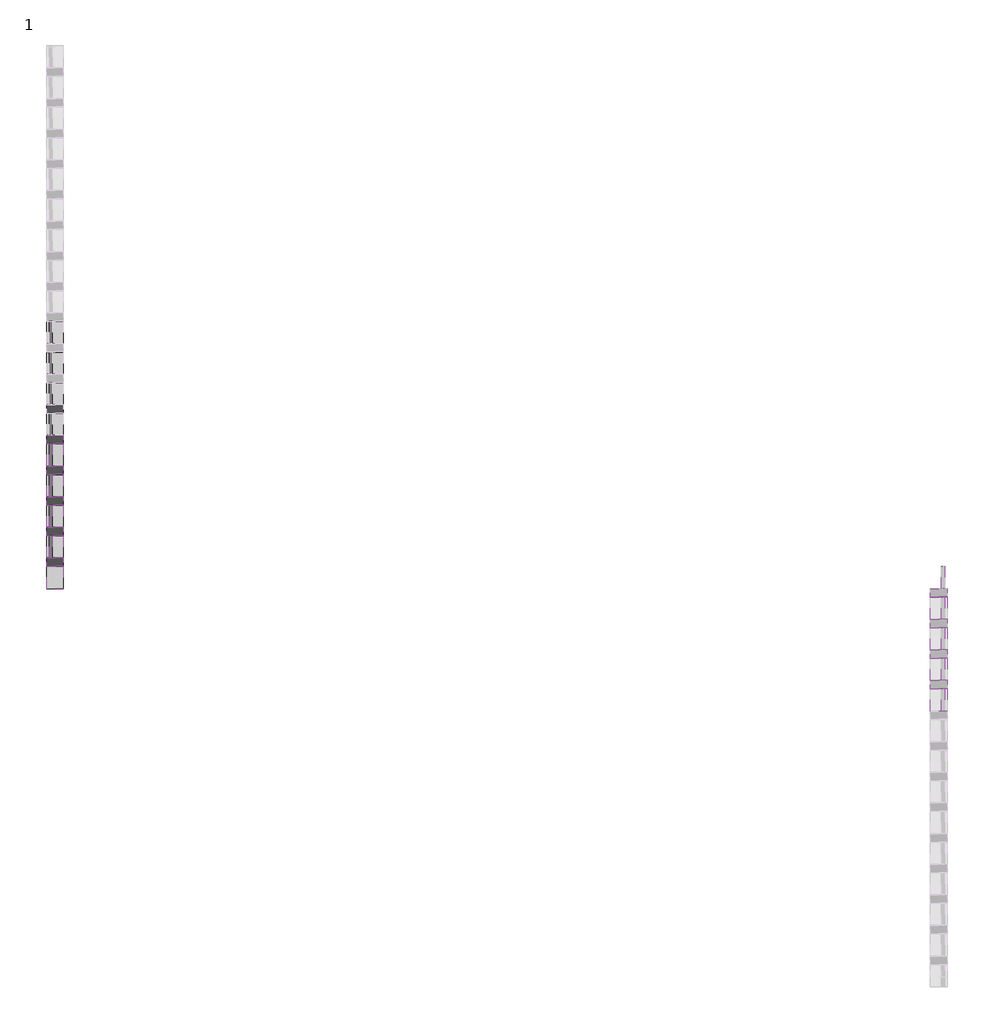
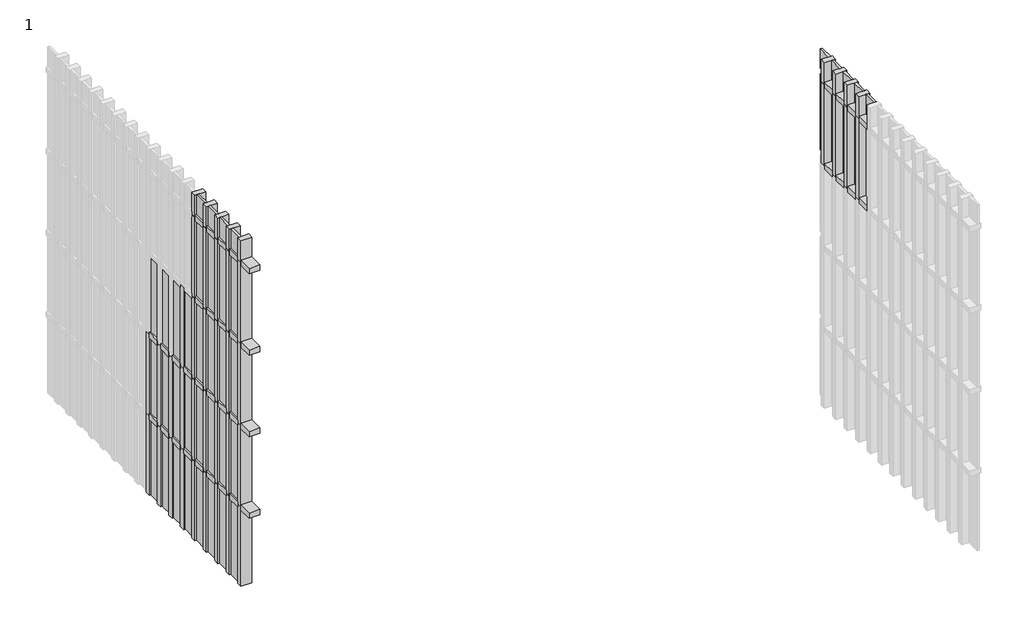
# One storey, part 8 of 40: 78 members, 40 plates.
"""IFC4 building model written with IfcOpenShell, lengths in millimetres."""

import ifcopenshell
import ifcopenshell.guid

model = None  # the IFC model being written
_history = None  # IfcOwnerHistory: only IFC2X3 demands one
_inside = {}  # id of a spatial element -> (the spatial element, [elements in it])
_under = {}  # id of a project, library or spatial element -> (it, [spatial elements below it])
_declared = {}  # id of a project -> (the project, [libraries it declares])
_typed = {}  # id of a type object -> (the type object, [elements of that type])
_made_of = {}  # id of a material, layer set ... -> (it, [elements and type objects made of it])


def new_model(schema):
    """Start an empty IFC model of exactly this schema.

    Asked for "IFC4X3", IfcOpenShell would pick the latest addendum, in which some entities
    have other attributes; the version numbers below select the first issue.
    IFC2X3 requires an IfcOwnerHistory on every rooted entity: one is made here for all.
    """
    global model, _history
    if schema == "IFC4X3":
        model = ifcopenshell.file(schema_version=(4, 3, 0, 0))
    else:
        model = ifcopenshell.file(schema=schema)
    _inside.clear()
    _under.clear()
    _declared.clear()
    _typed.clear()
    _made_of.clear()
    _history = None
    if model.schema == "IFC2X3":
        org = make("IfcOrganization", Name="unknown")
        user = make(
            "IfcPersonAndOrganization",
            ThePerson=make("IfcPerson", FamilyName="unknown"),
            TheOrganization=org,
        )
        app = make(
            "IfcApplication",
            ApplicationDeveloper=org,
            Version="unknown",
            ApplicationFullName="unknown",
            ApplicationIdentifier="unknown",
        )
        _history = make(
            "IfcOwnerHistory",
            OwningUser=user,
            OwningApplication=app,
            ChangeAction="ADDED",
            CreationDate=0,
        )
    return model


def make(cls, **values):
    """One entity of the class cls with the attributes given. An attribute that is None is left unset."""
    return model.create_entity(
        cls, **{name: value for name, value in values.items() if value is not None}
    )


def rooted(cls, **values):
    """An entity with a GlobalId (a new one), such as an element, a storey or a relation."""
    return make(cls, GlobalId=ifcopenshell.guid.new(), OwnerHistory=_history, **values)


def si_unit(unit_type, name, prefix=None):
    """IfcSIUnit, for example si_unit("LENGTHUNIT", "METRE", prefix="MILLI")."""
    return make("IfcSIUnit", UnitType=unit_type, Prefix=prefix, Name=name)


def assignment(units):
    """IfcUnitAssignment: the units of a project."""
    return None if units is None else make("IfcUnitAssignment", Units=units)


def point(xyz):
    """IfcCartesianPoint."""
    return None if xyz is None else make("IfcCartesianPoint", Coordinates=xyz)


def direction(xyz):
    """IfcDirection."""
    return None if xyz is None else make("IfcDirection", DirectionRatios=xyz)


def frame(location, z_axis=None, x_axis=None):
    """IfcAxis2Placement3D, a coordinate frame: its origin and axes. An axis left out is left unset."""
    return make(
        "IfcAxis2Placement3D",
        Location=point(location),
        Axis=direction(z_axis),
        RefDirection=direction(x_axis),
    )


def origin():
    """The frame at (0, 0, 0) with its axes left unset."""
    return frame((0.0, 0.0, 0.0))


def origin_with_axes():
    """The frame at (0, 0, 0) with the z axis (0, 0, 1) and the x axis (1, 0, 0) written out."""
    return frame((0.0, 0.0, 0.0), z_axis=(0.0, 0.0, 1.0), x_axis=(1.0, 0.0, 0.0))


def place(relative_to, where):
    """IfcLocalPlacement: puts the frame where relative to a parent placement (None: the world)."""
    return make(
        "IfcLocalPlacement", PlacementRelTo=relative_to, RelativePlacement=where
    )


def context(
    kind, dimensions, precision=None, world=None, true_north=None, identifier=None
):
    """IfcGeometricRepresentationContext, for example the 3D "Model" context."""
    return make(
        "IfcGeometricRepresentationContext",
        ContextIdentifier=identifier,
        ContextType=kind,
        CoordinateSpaceDimension=dimensions,
        Precision=precision,
        WorldCoordinateSystem=world,
        TrueNorth=true_north,
    )


def project(units=None, contexts=None):
    """IfcProject with its units and contexts."""
    return rooted(
        "IfcProject",
        Name="project",
        RepresentationContexts=contexts,
        UnitsInContext=assignment(units),
    )


def spatial(cls, under=None, at=None, **own):
    """A site, building, storey or space (cls), placed at a placement, below another one or the project."""
    s = rooted(cls, ObjectPlacement=at, **own)
    if under is not None:
        _under.setdefault(under.id(), (under, []))[1].append(s)
    return s


def polyline(points):
    """IfcPolyline through the points."""
    return make("IfcPolyline", Points=[point(p) for p in points])


def outline(outer, holes=None, kind="AREA"):
    """IfcArbitraryClosedProfileDef: a profile drawn as a closed curve; with holes, ...WithVoids."""
    if holes is None:
        return make("IfcArbitraryClosedProfileDef", ProfileType=kind, OuterCurve=outer)
    return make(
        "IfcArbitraryProfileDefWithVoids",
        ProfileType=kind,
        OuterCurve=outer,
        InnerCurves=holes,
    )


def extrude(swept, where, along, depth):
    """IfcExtrudedAreaSolid: the profile swept, set in the frame where, extruded along a direction by depth."""
    return make(
        "IfcExtrudedAreaSolid",
        SweptArea=swept,
        Position=where,
        ExtrudedDirection=direction(along),
        Depth=depth,
    )


def shape(context_of_items, identifier, shape_type, items):
    """IfcShapeRepresentation: the items that make up one representation, for example the "Body"."""
    return make(
        "IfcShapeRepresentation",
        ContextOfItems=context_of_items,
        RepresentationIdentifier=identifier,
        RepresentationType=shape_type,
        Items=items,
    )


def source(mapping_origin, context_of_items, identifier, shape_type, items):
    """IfcRepresentationMap: a shape defined once, which mapped items show again and again."""
    return make(
        "IfcRepresentationMap",
        MappingOrigin=mapping_origin,
        MappedRepresentation=shape(context_of_items, identifier, shape_type, items),
    )


def transform(
    local_origin,
    x_axis=None,
    y_axis=None,
    z_axis=None,
    scale=None,
    scale2=None,
    scale3=None,
    uniform=True,
):
    """IfcCartesianTransformationOperator3D, or its non-uniform kind. x_axis, y_axis, z_axis: its Axis1, 2, 3."""
    if uniform:
        return make(
            "IfcCartesianTransformationOperator3D",
            Axis1=direction(x_axis),
            Axis2=direction(y_axis),
            LocalOrigin=point(local_origin),
            Scale=scale,
            Axis3=direction(z_axis),
        )
    return make(
        "IfcCartesianTransformationOperator3DnonUniform",
        Axis1=direction(x_axis),
        Axis2=direction(y_axis),
        LocalOrigin=point(local_origin),
        Scale=scale,
        Axis3=direction(z_axis),
        Scale2=scale2,
        Scale3=scale3,
    )


def mapped(mapping_source, mapping_target):
    """IfcMappedItem: shows the shape of a source again, moved by a transform."""
    return make(
        "IfcMappedItem", MappingSource=mapping_source, MappingTarget=mapping_target
    )


def made_of(thing, what):
    """Note that an element or type object is made of a material, layer set ...; save() writes the relation."""
    if what is not None:
        _made_of.setdefault(what.id(), (what, []))[1].append(thing)
    return thing


def element(
    cls,
    number,
    at=None,
    inside=None,
    cuts=None,
    type_object=None,
    material=None,
    context=None,
    identifier="Body",
    shape_type=None,
    held_by="IfcProductDefinitionShape",
    body=None,
    shapes=None,
    **own,
):
    """One element of the class cls, such as IfcWall. Its Tag is "e" and its number.

    at: its placement. inside: the storey or other place that contains it. cuts: it is an
    opening in that element (IfcRelVoidsElement). A single representation is given by context,
    identifier, shape_type and body (its items); several are given by shapes. held_by: the class
    of the entity that holds the representations. save() writes the other relations.
    """
    e = rooted(cls, Tag="e%d" % number, ObjectPlacement=at, **own)
    if body is not None:
        shapes = [shape(context, identifier, shape_type, body)]
    if shapes is not None:
        e.Representation = make(held_by, Representations=shapes)
    if inside is not None:
        _inside.setdefault(inside.id(), (inside, []))[1].append(e)
    if cuts is not None:
        rooted(
            "IfcRelVoidsElement", RelatingBuildingElement=cuts, RelatedOpeningElement=e
        )
    if type_object is not None:
        _typed.setdefault(type_object.id(), (type_object, []))[1].append(e)
    return made_of(e, material)


def aggregate(whole, parts):
    """IfcRelAggregates: a whole, such as a stair, and the parts it consists of."""
    return rooted("IfcRelAggregates", RelatingObject=whole, RelatedObjects=parts)


def save(model, path):
    """Write the relations noted so far, then the file.

    IfcRelAggregates (storeys below a building ...), IfcRelContainedInSpatialStructure (elements
    in a storey), IfcRelDefinesByType, IfcRelAssociatesMaterial and IfcRelDeclares: one each for
    every whole, place, type object, material and project.
    """
    for whole, parts in _under.values():
        aggregate(whole, parts)
    for where, things in _inside.values():
        rooted(
            "IfcRelContainedInSpatialStructure",
            RelatedElements=things,
            RelatingStructure=where,
        )
    for kind, things in _typed.values():
        rooted("IfcRelDefinesByType", RelatedObjects=things, RelatingType=kind)
    for what, things in _made_of.values():
        rooted("IfcRelAssociatesMaterial", RelatedObjects=things, RelatingMaterial=what)
    for by, libraries in _declared.values():
        rooted("IfcRelDeclares", RelatingContext=by, RelatedDefinitions=libraries)
    model.write(path)


def rectangular_mullion_rectangular_mullion_1_018ae7aa(model_context):
    return source(origin(), model_context, "Body", "SweptSolid", [
        extrude(outline(polyline([(31.75, 63.5), (31.75, -63.5), (-31.75, -63.5), (-31.75, 63.5), (31.75, 63.5)])), frame((0.0, 0.0, -166.5), z_axis=(0.0, 0.0, 1.0), x_axis=(1.0, 0.0, 0.0)), (0.0, 0.0, 1.0), 166.5),
    ])


def rectangular_mullion_rectangular_mullion_1_0daabb75(model_context):
    return source(origin(), model_context, "Body", "SweptSolid", [
        extrude(outline(polyline([(31.75, 63.5), (31.75, -63.5), (-31.75, -63.5), (-31.75, 63.5), (31.75, 63.5)])), frame((0.0, 0.0, -1000.0), z_axis=(0.0, 0.0, 1.0), x_axis=(1.0, 0.0, 0.0)), (0.0, 0.0, 1.0), 1000.0),
    ])


def rectangular_mullion_rectangular_mullion_1_43f49249(model_context):
    return source(origin(), model_context, "Body", "SweptSolid", [
        extrude(outline(polyline([(31.75, 63.5), (31.75, -63.5), (-31.75, -63.5), (-31.75, 63.5), (31.75, 63.5)])), frame((0.0, 0.0, -968.25), z_axis=(0.0, 0.0, 1.0), x_axis=(1.0, 0.0, 0.0)), (0.0, 0.0, 1.0), 968.25),
    ])


def rectangular_mullion_rectangular_mullion_1_7425881c(model_context):
    return source(origin(), model_context, "Body", "SweptSolid", [
        extrude(outline(polyline([(31.75, 63.5), (31.75, -63.5), (-31.75, -63.5), (-31.75, 63.5), (31.75, 63.5)])), frame((0.0, 0.0, -271.75), z_axis=(0.0, 0.0, 1.0), x_axis=(1.0, 0.0, 0.0)), (0.0, 0.0, 1.0), 271.75),
    ])


def system_panel_glazed_637935cf(model_context):
    return source(origin(), model_context, "Body", "SweptSolid", [
        extrude(outline(polyline([(83.25, -44.45), (-83.25, -44.45), (-83.25, -19.05), (83.25, -19.05), (83.25, -44.45)])), origin_with_axes(), (0.0, 0.0, 1.0), 936.5),
    ])


def system_panel_glazed_77c431bc(model_context):
    return source(origin(), model_context, "Body", "SweptSolid", [
        extrude(outline(polyline([(83.25, 19.05), (-83.25, 19.05), (-83.25, 44.45), (83.25, 44.45), (83.25, 19.05)])), origin_with_axes(), (0.0, 0.0, 1.0), 936.5),
    ])


def system_panel_glazed_3e05323c(model_context):
    return source(origin(), model_context, "Body", "SweptSolid", [
        extrude(outline(polyline([(83.25, -44.45), (-83.25, -44.45), (-83.25, -19.05), (83.25, -19.05), (83.25, -44.45)])), origin_with_axes(), (0.0, 0.0, 1.0), 240.0),
    ])


def system_panel_glazed_fef320bd(model_context):
    return source(origin(), model_context, "Body", "SweptSolid", [
        extrude(outline(polyline([(83.25, 19.05), (-83.25, 19.05), (-83.25, 44.45), (83.25, 44.45), (83.25, 19.05)])), origin_with_axes(), (0.0, 0.0, 1.0), 240.0),
    ])


model = new_model("IFC4")

# Units and contexts
model_context = context("Model", 3, world=origin())
ifc_project = project(units=[si_unit("LENGTHUNIT", "METRE", prefix="MILLI")], contexts=[model_context])

# Site, building, storey
site = spatial("IfcSite", under=ifc_project)
building = spatial("IfcBuilding", under=site)
storey = spatial("IfcBuildingStorey", under=building, Name="1", Elevation=3600.0)

# Members
placement = place(None, origin())
rectangular_mullion_rectangular_mullion_1_shape = rectangular_mullion_rectangular_mullion_1_018ae7aa(model_context)
element("IfcMember", 1, ObjectType="Rectangular Mullion : Rectangular Mullion 1", at=placement, inside=storey, context=model_context, shape_type="MappedRepresentation", body=[
    mapped(rectangular_mullion_rectangular_mullion_1_shape, transform((8762.3871269, -16876.5554662, 5568.25), x_axis=(0.0, 0.0, 1.0), y_axis=(1.0, 0.0, 0.0), z_axis=(0.0, 1.0, 0.0))),
])
element("IfcMember", 2, ObjectType="Rectangular Mullion : Rectangular Mullion 1", at=placement, inside=storey, context=model_context, shape_type="MappedRepresentation", body=[
    mapped(rectangular_mullion_rectangular_mullion_1_shape, transform((8762.3871269, -16646.5554662, 5568.25), x_axis=(0.0, 0.0, 1.0), y_axis=(1.0, 0.0, 0.0), z_axis=(0.0, 1.0, 0.0))),
])
element("IfcMember", 3, ObjectType="Rectangular Mullion : Rectangular Mullion 1", at=placement, inside=storey, context=model_context, shape_type="MappedRepresentation", body=[
    mapped(rectangular_mullion_rectangular_mullion_1_shape, transform((8762.3871269, -16416.5554662, 5568.25), x_axis=(0.0, 0.0, 1.0), y_axis=(1.0, 0.0, 0.0), z_axis=(0.0, 1.0, 0.0))),
])
element("IfcMember", 4, ObjectType="Rectangular Mullion : Rectangular Mullion 1", at=placement, inside=storey, context=model_context, shape_type="MappedRepresentation", body=[
    mapped(rectangular_mullion_rectangular_mullion_1_shape, transform((8762.3871269, -16186.5554662, 5568.25), x_axis=(0.0, 0.0, 1.0), y_axis=(1.0, 0.0, 0.0), z_axis=(0.0, 1.0, 0.0))),
])
element("IfcMember", 5, ObjectType="Rectangular Mullion : Rectangular Mullion 1", at=placement, inside=storey, context=model_context, shape_type="MappedRepresentation", body=[
    mapped(rectangular_mullion_rectangular_mullion_1_shape, transform((8762.3871269, -16876.5554662, 6568.25), x_axis=(0.0, 0.0, 1.0), y_axis=(1.0, 0.0, 0.0), z_axis=(0.0, 1.0, 0.0))),
])
element("IfcMember", 6, ObjectType="Rectangular Mullion : Rectangular Mullion 1", at=placement, inside=storey, context=model_context, shape_type="MappedRepresentation", body=[
    mapped(rectangular_mullion_rectangular_mullion_1_shape, transform((8762.3871269, -16646.5554662, 6568.25), x_axis=(0.0, 0.0, 1.0), y_axis=(1.0, 0.0, 0.0), z_axis=(0.0, 1.0, 0.0))),
])
element("IfcMember", 7, ObjectType="Rectangular Mullion : Rectangular Mullion 1", at=placement, inside=storey, context=model_context, shape_type="MappedRepresentation", body=[
    mapped(rectangular_mullion_rectangular_mullion_1_shape, transform((8762.3871269, -16416.5554662, 6568.25), x_axis=(0.0, 0.0, 1.0), y_axis=(1.0, 0.0, 0.0), z_axis=(0.0, 1.0, 0.0))),
])
element("IfcMember", 8, ObjectType="Rectangular Mullion : Rectangular Mullion 1", at=placement, inside=storey, context=model_context, shape_type="MappedRepresentation", body=[
    mapped(rectangular_mullion_rectangular_mullion_1_shape, transform((8762.3871269, -16186.5554662, 6568.25), x_axis=(0.0, 0.0, 1.0), y_axis=(1.0, 0.0, 0.0), z_axis=(0.0, 1.0, 0.0))),
])
element("IfcMember", 9, ObjectType="Rectangular Mullion : Rectangular Mullion 1", at=placement, inside=storey, context=model_context, shape_type="MappedRepresentation", body=[
    mapped(rectangular_mullion_rectangular_mullion_1_shape, transform((2122.3871269, -15956.5554662, 3568.25), x_axis=(0.0, 0.0, 1.0), y_axis=(1.0, 0.0, 0.0), z_axis=(0.0, 1.0, 0.0))),
])
element("IfcMember", 10, ObjectType="Rectangular Mullion : Rectangular Mullion 1", at=placement, inside=storey, context=model_context, shape_type="MappedRepresentation", body=[
    mapped(rectangular_mullion_rectangular_mullion_1_shape, transform((2122.3871269, -15726.5554662, 3568.25), x_axis=(0.0, 0.0, 1.0), y_axis=(1.0, 0.0, 0.0), z_axis=(0.0, 1.0, 0.0))),
])
element("IfcMember", 11, ObjectType="Rectangular Mullion : Rectangular Mullion 1", at=placement, inside=storey, context=model_context, shape_type="MappedRepresentation", body=[
    mapped(rectangular_mullion_rectangular_mullion_1_shape, transform((2122.3871269, -15496.5554662, 3568.25), x_axis=(0.0, 0.0, 1.0), y_axis=(1.0, 0.0, 0.0), z_axis=(0.0, 1.0, 0.0))),
])
element("IfcMember", 12, ObjectType="Rectangular Mullion : Rectangular Mullion 1", at=placement, inside=storey, context=model_context, shape_type="MappedRepresentation", body=[
    mapped(rectangular_mullion_rectangular_mullion_1_shape, transform((2122.3871269, -15266.5554662, 3568.25), x_axis=(0.0, 0.0, 1.0), y_axis=(1.0, 0.0, 0.0), z_axis=(0.0, 1.0, 0.0))),
])
element("IfcMember", 13, ObjectType="Rectangular Mullion : Rectangular Mullion 1", at=placement, inside=storey, context=model_context, shape_type="MappedRepresentation", body=[
    mapped(rectangular_mullion_rectangular_mullion_1_shape, transform((2122.3871269, -15036.5554662, 3568.25), x_axis=(0.0, 0.0, 1.0), y_axis=(1.0, 0.0, 0.0), z_axis=(0.0, 1.0, 0.0))),
])
element("IfcMember", 14, ObjectType="Rectangular Mullion : Rectangular Mullion 1", at=placement, inside=storey, context=model_context, shape_type="MappedRepresentation", body=[
    mapped(rectangular_mullion_rectangular_mullion_1_shape, transform((2122.3871269, -14806.5554662, 3568.25), x_axis=(0.0, 0.0, 1.0), y_axis=(1.0, 0.0, 0.0), z_axis=(0.0, 1.0, 0.0))),
])
element("IfcMember", 15, ObjectType="Rectangular Mullion : Rectangular Mullion 1", at=placement, inside=storey, context=model_context, shape_type="MappedRepresentation", body=[
    mapped(rectangular_mullion_rectangular_mullion_1_shape, transform((2122.3871269, -14576.5554662, 3568.25), x_axis=(0.0, 0.0, 1.0), y_axis=(1.0, 0.0, 0.0), z_axis=(0.0, 1.0, 0.0))),
])
element("IfcMember", 16, ObjectType="Rectangular Mullion : Rectangular Mullion 1", at=placement, inside=storey, context=model_context, shape_type="MappedRepresentation", body=[
    mapped(rectangular_mullion_rectangular_mullion_1_shape, transform((2122.3871269, -14346.5554662, 3568.25), x_axis=(0.0, 0.0, 1.0), y_axis=(1.0, 0.0, 0.0), z_axis=(0.0, 1.0, 0.0))),
])
element("IfcMember", 17, ObjectType="Rectangular Mullion : Rectangular Mullion 1", at=placement, inside=storey, context=model_context, shape_type="MappedRepresentation", body=[
    mapped(rectangular_mullion_rectangular_mullion_1_shape, transform((2122.3871269, -14116.5554662, 3568.25), x_axis=(0.0, 0.0, 1.0), y_axis=(1.0, 0.0, 0.0), z_axis=(0.0, 1.0, 0.0))),
])
element("IfcMember", 18, ObjectType="Rectangular Mullion : Rectangular Mullion 1", at=placement, inside=storey, context=model_context, shape_type="MappedRepresentation", body=[
    mapped(rectangular_mullion_rectangular_mullion_1_shape, transform((2122.3871269, -15956.5554662, 4568.25), x_axis=(0.0, 0.0, 1.0), y_axis=(1.0, 0.0, 0.0), z_axis=(0.0, 1.0, 0.0))),
])
element("IfcMember", 19, ObjectType="Rectangular Mullion : Rectangular Mullion 1", at=placement, inside=storey, context=model_context, shape_type="MappedRepresentation", body=[
    mapped(rectangular_mullion_rectangular_mullion_1_shape, transform((2122.3871269, -15726.5554662, 4568.25), x_axis=(0.0, 0.0, 1.0), y_axis=(1.0, 0.0, 0.0), z_axis=(0.0, 1.0, 0.0))),
])
element("IfcMember", 20, ObjectType="Rectangular Mullion : Rectangular Mullion 1", at=placement, inside=storey, context=model_context, shape_type="MappedRepresentation", body=[
    mapped(rectangular_mullion_rectangular_mullion_1_shape, transform((2122.3871269, -15496.5554662, 4568.25), x_axis=(0.0, 0.0, 1.0), y_axis=(1.0, 0.0, 0.0), z_axis=(0.0, 1.0, 0.0))),
])
element("IfcMember", 21, ObjectType="Rectangular Mullion : Rectangular Mullion 1", at=placement, inside=storey, context=model_context, shape_type="MappedRepresentation", body=[
    mapped(rectangular_mullion_rectangular_mullion_1_shape, transform((2122.3871269, -15266.5554662, 4568.25), x_axis=(0.0, 0.0, 1.0), y_axis=(1.0, 0.0, 0.0), z_axis=(0.0, 1.0, 0.0))),
])
element("IfcMember", 22, ObjectType="Rectangular Mullion : Rectangular Mullion 1", at=placement, inside=storey, context=model_context, shape_type="MappedRepresentation", body=[
    mapped(rectangular_mullion_rectangular_mullion_1_shape, transform((2122.3871269, -15036.5554662, 4568.25), x_axis=(0.0, 0.0, 1.0), y_axis=(1.0, 0.0, 0.0), z_axis=(0.0, 1.0, 0.0))),
])
element("IfcMember", 23, ObjectType="Rectangular Mullion : Rectangular Mullion 1", at=placement, inside=storey, context=model_context, shape_type="MappedRepresentation", body=[
    mapped(rectangular_mullion_rectangular_mullion_1_shape, transform((2122.3871269, -14806.5554662, 4568.25), x_axis=(0.0, 0.0, 1.0), y_axis=(1.0, 0.0, 0.0), z_axis=(0.0, 1.0, 0.0))),
])
element("IfcMember", 24, ObjectType="Rectangular Mullion : Rectangular Mullion 1", at=placement, inside=storey, context=model_context, shape_type="MappedRepresentation", body=[
    mapped(rectangular_mullion_rectangular_mullion_1_shape, transform((2122.3871269, -14576.5554662, 4568.25), x_axis=(0.0, 0.0, 1.0), y_axis=(1.0, 0.0, 0.0), z_axis=(0.0, 1.0, 0.0))),
])
element("IfcMember", 25, ObjectType="Rectangular Mullion : Rectangular Mullion 1", at=placement, inside=storey, context=model_context, shape_type="MappedRepresentation", body=[
    mapped(rectangular_mullion_rectangular_mullion_1_shape, transform((2122.3871269, -14346.5554662, 4568.25), x_axis=(0.0, 0.0, 1.0), y_axis=(1.0, 0.0, 0.0), z_axis=(0.0, 1.0, 0.0))),
])
element("IfcMember", 26, ObjectType="Rectangular Mullion : Rectangular Mullion 1", at=placement, inside=storey, context=model_context, shape_type="MappedRepresentation", body=[
    mapped(rectangular_mullion_rectangular_mullion_1_shape, transform((2122.3871269, -14116.5554662, 4568.25), x_axis=(0.0, 0.0, 1.0), y_axis=(1.0, 0.0, 0.0), z_axis=(0.0, 1.0, 0.0))),
])
element("IfcMember", 27, ObjectType="Rectangular Mullion : Rectangular Mullion 1", at=placement, inside=storey, context=model_context, shape_type="MappedRepresentation", body=[
    mapped(rectangular_mullion_rectangular_mullion_1_shape, transform((2122.3871269, -15956.5554662, 5568.25), x_axis=(0.0, 0.0, 1.0), y_axis=(1.0, 0.0, 0.0), z_axis=(0.0, 1.0, 0.0))),
])
element("IfcMember", 28, ObjectType="Rectangular Mullion : Rectangular Mullion 1", at=placement, inside=storey, context=model_context, shape_type="MappedRepresentation", body=[
    mapped(rectangular_mullion_rectangular_mullion_1_shape, transform((2122.3871269, -15726.5554662, 5568.25), x_axis=(0.0, 0.0, 1.0), y_axis=(1.0, 0.0, 0.0), z_axis=(0.0, 1.0, 0.0))),
])
element("IfcMember", 29, ObjectType="Rectangular Mullion : Rectangular Mullion 1", at=placement, inside=storey, context=model_context, shape_type="MappedRepresentation", body=[
    mapped(rectangular_mullion_rectangular_mullion_1_shape, transform((2122.3871269, -15496.5554662, 5568.25), x_axis=(0.0, 0.0, 1.0), y_axis=(1.0, 0.0, 0.0), z_axis=(0.0, 1.0, 0.0))),
])
element("IfcMember", 30, ObjectType="Rectangular Mullion : Rectangular Mullion 1", at=placement, inside=storey, context=model_context, shape_type="MappedRepresentation", body=[
    mapped(rectangular_mullion_rectangular_mullion_1_shape, transform((2122.3871269, -15266.5554662, 5568.25), x_axis=(0.0, 0.0, 1.0), y_axis=(1.0, 0.0, 0.0), z_axis=(0.0, 1.0, 0.0))),
])
element("IfcMember", 31, ObjectType="Rectangular Mullion : Rectangular Mullion 1", at=placement, inside=storey, context=model_context, shape_type="MappedRepresentation", body=[
    mapped(rectangular_mullion_rectangular_mullion_1_shape, transform((2122.3871269, -15036.5554662, 5568.25), x_axis=(0.0, 0.0, 1.0), y_axis=(1.0, 0.0, 0.0), z_axis=(0.0, 1.0, 0.0))),
])
element("IfcMember", 32, ObjectType="Rectangular Mullion : Rectangular Mullion 1", at=placement, inside=storey, context=model_context, shape_type="MappedRepresentation", body=[
    mapped(rectangular_mullion_rectangular_mullion_1_shape, transform((2122.3871269, -15956.5554662, 6568.25), x_axis=(0.0, 0.0, 1.0), y_axis=(1.0, 0.0, 0.0), z_axis=(0.0, 1.0, 0.0))),
])
element("IfcMember", 33, ObjectType="Rectangular Mullion : Rectangular Mullion 1", at=placement, inside=storey, context=model_context, shape_type="MappedRepresentation", body=[
    mapped(rectangular_mullion_rectangular_mullion_1_shape, transform((2122.3871269, -15726.5554662, 6568.25), x_axis=(0.0, 0.0, 1.0), y_axis=(1.0, 0.0, 0.0), z_axis=(0.0, 1.0, 0.0))),
])
element("IfcMember", 34, ObjectType="Rectangular Mullion : Rectangular Mullion 1", at=placement, inside=storey, context=model_context, shape_type="MappedRepresentation", body=[
    mapped(rectangular_mullion_rectangular_mullion_1_shape, transform((2122.3871269, -15496.5554662, 6568.25), x_axis=(0.0, 0.0, 1.0), y_axis=(1.0, 0.0, 0.0), z_axis=(0.0, 1.0, 0.0))),
])
element("IfcMember", 35, ObjectType="Rectangular Mullion : Rectangular Mullion 1", at=placement, inside=storey, context=model_context, shape_type="MappedRepresentation", body=[
    mapped(rectangular_mullion_rectangular_mullion_1_shape, transform((2122.3871269, -15266.5554662, 6568.25), x_axis=(0.0, 0.0, 1.0), y_axis=(1.0, 0.0, 0.0), z_axis=(0.0, 1.0, 0.0))),
])
element("IfcMember", 36, ObjectType="Rectangular Mullion : Rectangular Mullion 1", at=placement, inside=storey, context=model_context, shape_type="MappedRepresentation", body=[
    mapped(rectangular_mullion_rectangular_mullion_1_shape, transform((2122.3871269, -15036.5554662, 6568.25), x_axis=(0.0, 0.0, 1.0), y_axis=(1.0, 0.0, 0.0), z_axis=(0.0, 1.0, 0.0))),
])
rectangular_mullion_rectangular_mullion_1_2_shape = rectangular_mullion_rectangular_mullion_1_0daabb75(model_context)
element("IfcMember", 37, ObjectType="Rectangular Mullion : Rectangular Mullion 1", at=placement, inside=storey, context=model_context, shape_type="MappedRepresentation", body=[
    mapped(rectangular_mullion_rectangular_mullion_1_2_shape, transform((8762.3871269, -16844.8054662, 5568.25), x_axis=(0.0, 1.0, 0.0), y_axis=(1.0, 0.0, 0.0), z_axis=(0.0, 0.0, -1.0))),
])
element("IfcMember", 38, ObjectType="Rectangular Mullion : Rectangular Mullion 1", at=placement, inside=storey, context=model_context, shape_type="MappedRepresentation", body=[
    mapped(rectangular_mullion_rectangular_mullion_1_2_shape, transform((8762.3871269, -16614.8054662, 5568.25), x_axis=(0.0, 1.0, 0.0), y_axis=(1.0, 0.0, 0.0), z_axis=(0.0, 0.0, -1.0))),
])
element("IfcMember", 39, ObjectType="Rectangular Mullion : Rectangular Mullion 1", at=placement, inside=storey, context=model_context, shape_type="MappedRepresentation", body=[
    mapped(rectangular_mullion_rectangular_mullion_1_2_shape, transform((8762.3871269, -16384.8054662, 5568.25), x_axis=(0.0, 1.0, 0.0), y_axis=(1.0, 0.0, 0.0), z_axis=(0.0, 0.0, -1.0))),
])
element("IfcMember", 40, ObjectType="Rectangular Mullion : Rectangular Mullion 1", at=placement, inside=storey, context=model_context, shape_type="MappedRepresentation", body=[
    mapped(rectangular_mullion_rectangular_mullion_1_2_shape, transform((8762.3871269, -16154.8054662, 5568.25), x_axis=(0.0, 1.0, 0.0), y_axis=(1.0, 0.0, 0.0), z_axis=(0.0, 0.0, -1.0))),
])
rectangular_mullion_rectangular_mullion_1_3_shape = rectangular_mullion_rectangular_mullion_1_43f49249(model_context)
element("IfcMember", 41, ObjectType="Rectangular Mullion : Rectangular Mullion 1", at=placement, inside=storey, context=model_context, shape_type="MappedRepresentation", body=[
    mapped(rectangular_mullion_rectangular_mullion_1_3_shape, transform((2122.3871269, -15924.8054662, 2600.0), x_axis=(0.0, 1.0, 0.0), y_axis=(1.0, 0.0, 0.0), z_axis=(0.0, 0.0, -1.0))),
])
element("IfcMember", 42, ObjectType="Rectangular Mullion : Rectangular Mullion 1", at=placement, inside=storey, context=model_context, shape_type="MappedRepresentation", body=[
    mapped(rectangular_mullion_rectangular_mullion_1_3_shape, transform((2122.3871269, -15694.8054662, 2600.0), x_axis=(0.0, 1.0, 0.0), y_axis=(1.0, 0.0, 0.0), z_axis=(0.0, 0.0, -1.0))),
])
element("IfcMember", 43, ObjectType="Rectangular Mullion : Rectangular Mullion 1", at=placement, inside=storey, context=model_context, shape_type="MappedRepresentation", body=[
    mapped(rectangular_mullion_rectangular_mullion_1_3_shape, transform((2122.3871269, -15464.8054662, 2600.0), x_axis=(0.0, 1.0, 0.0), y_axis=(1.0, 0.0, 0.0), z_axis=(0.0, 0.0, -1.0))),
])
element("IfcMember", 44, ObjectType="Rectangular Mullion : Rectangular Mullion 1", at=placement, inside=storey, context=model_context, shape_type="MappedRepresentation", body=[
    mapped(rectangular_mullion_rectangular_mullion_1_3_shape, transform((2122.3871269, -15234.8054662, 2600.0), x_axis=(0.0, 1.0, 0.0), y_axis=(1.0, 0.0, 0.0), z_axis=(0.0, 0.0, -1.0))),
])
element("IfcMember", 45, ObjectType="Rectangular Mullion : Rectangular Mullion 1", at=placement, inside=storey, context=model_context, shape_type="MappedRepresentation", body=[
    mapped(rectangular_mullion_rectangular_mullion_1_3_shape, transform((2122.3871269, -15004.8054662, 2600.0), x_axis=(0.0, 1.0, 0.0), y_axis=(1.0, 0.0, 0.0), z_axis=(0.0, 0.0, -1.0))),
])
element("IfcMember", 46, ObjectType="Rectangular Mullion : Rectangular Mullion 1", at=placement, inside=storey, context=model_context, shape_type="MappedRepresentation", body=[
    mapped(rectangular_mullion_rectangular_mullion_1_3_shape, transform((2122.3871269, -14774.8054662, 2600.0), x_axis=(0.0, 1.0, 0.0), y_axis=(1.0, 0.0, 0.0), z_axis=(0.0, 0.0, -1.0))),
])
element("IfcMember", 47, ObjectType="Rectangular Mullion : Rectangular Mullion 1", at=placement, inside=storey, context=model_context, shape_type="MappedRepresentation", body=[
    mapped(rectangular_mullion_rectangular_mullion_1_3_shape, transform((2122.3871269, -14544.8054662, 2600.0), x_axis=(0.0, 1.0, 0.0), y_axis=(1.0, 0.0, 0.0), z_axis=(0.0, 0.0, -1.0))),
])
element("IfcMember", 48, ObjectType="Rectangular Mullion : Rectangular Mullion 1", at=placement, inside=storey, context=model_context, shape_type="MappedRepresentation", body=[
    mapped(rectangular_mullion_rectangular_mullion_1_3_shape, transform((2122.3871269, -14314.8054662, 2600.0), x_axis=(0.0, 1.0, 0.0), y_axis=(1.0, 0.0, 0.0), z_axis=(0.0, 0.0, -1.0))),
])
element("IfcMember", 49, ObjectType="Rectangular Mullion : Rectangular Mullion 1", at=placement, inside=storey, context=model_context, shape_type="MappedRepresentation", body=[
    mapped(rectangular_mullion_rectangular_mullion_1_3_shape, transform((2122.3871269, -14084.8054662, 2600.0), x_axis=(0.0, 1.0, 0.0), y_axis=(1.0, 0.0, 0.0), z_axis=(0.0, 0.0, -1.0))),
])
element("IfcMember", 50, ObjectType="Rectangular Mullion : Rectangular Mullion 1", at=placement, inside=storey, context=model_context, shape_type="MappedRepresentation", body=[
    mapped(rectangular_mullion_rectangular_mullion_1_2_shape, transform((2122.3871269, -15924.8054662, 3568.25), x_axis=(0.0, 1.0, 0.0), y_axis=(1.0, 0.0, 0.0), z_axis=(0.0, 0.0, -1.0))),
])
element("IfcMember", 51, ObjectType="Rectangular Mullion : Rectangular Mullion 1", at=placement, inside=storey, context=model_context, shape_type="MappedRepresentation", body=[
    mapped(rectangular_mullion_rectangular_mullion_1_2_shape, transform((2122.3871269, -15694.8054662, 3568.25), x_axis=(0.0, 1.0, 0.0), y_axis=(1.0, 0.0, 0.0), z_axis=(0.0, 0.0, -1.0))),
])
element("IfcMember", 52, ObjectType="Rectangular Mullion : Rectangular Mullion 1", at=placement, inside=storey, context=model_context, shape_type="MappedRepresentation", body=[
    mapped(rectangular_mullion_rectangular_mullion_1_2_shape, transform((2122.3871269, -15464.8054662, 3568.25), x_axis=(0.0, 1.0, 0.0), y_axis=(1.0, 0.0, 0.0), z_axis=(0.0, 0.0, -1.0))),
])
element("IfcMember", 53, ObjectType="Rectangular Mullion : Rectangular Mullion 1", at=placement, inside=storey, context=model_context, shape_type="MappedRepresentation", body=[
    mapped(rectangular_mullion_rectangular_mullion_1_2_shape, transform((2122.3871269, -15234.8054662, 3568.25), x_axis=(0.0, 1.0, 0.0), y_axis=(1.0, 0.0, 0.0), z_axis=(0.0, 0.0, -1.0))),
])
element("IfcMember", 54, ObjectType="Rectangular Mullion : Rectangular Mullion 1", at=placement, inside=storey, context=model_context, shape_type="MappedRepresentation", body=[
    mapped(rectangular_mullion_rectangular_mullion_1_2_shape, transform((2122.3871269, -15004.8054662, 3568.25), x_axis=(0.0, 1.0, 0.0), y_axis=(1.0, 0.0, 0.0), z_axis=(0.0, 0.0, -1.0))),
])
element("IfcMember", 55, ObjectType="Rectangular Mullion : Rectangular Mullion 1", at=placement, inside=storey, context=model_context, shape_type="MappedRepresentation", body=[
    mapped(rectangular_mullion_rectangular_mullion_1_2_shape, transform((2122.3871269, -14774.8054662, 3568.25), x_axis=(0.0, 1.0, 0.0), y_axis=(1.0, 0.0, 0.0), z_axis=(0.0, 0.0, -1.0))),
])
element("IfcMember", 56, ObjectType="Rectangular Mullion : Rectangular Mullion 1", at=placement, inside=storey, context=model_context, shape_type="MappedRepresentation", body=[
    mapped(rectangular_mullion_rectangular_mullion_1_2_shape, transform((2122.3871269, -14544.8054662, 3568.25), x_axis=(0.0, 1.0, 0.0), y_axis=(1.0, 0.0, 0.0), z_axis=(0.0, 0.0, -1.0))),
])
element("IfcMember", 57, ObjectType="Rectangular Mullion : Rectangular Mullion 1", at=placement, inside=storey, context=model_context, shape_type="MappedRepresentation", body=[
    mapped(rectangular_mullion_rectangular_mullion_1_2_shape, transform((2122.3871269, -14314.8054662, 3568.25), x_axis=(0.0, 1.0, 0.0), y_axis=(1.0, 0.0, 0.0), z_axis=(0.0, 0.0, -1.0))),
])
element("IfcMember", 58, ObjectType="Rectangular Mullion : Rectangular Mullion 1", at=placement, inside=storey, context=model_context, shape_type="MappedRepresentation", body=[
    mapped(rectangular_mullion_rectangular_mullion_1_2_shape, transform((2122.3871269, -14084.8054662, 3568.25), x_axis=(0.0, 1.0, 0.0), y_axis=(1.0, 0.0, 0.0), z_axis=(0.0, 0.0, -1.0))),
])
element("IfcMember", 59, ObjectType="Rectangular Mullion : Rectangular Mullion 1", at=placement, inside=storey, context=model_context, shape_type="MappedRepresentation", body=[
    mapped(rectangular_mullion_rectangular_mullion_1_2_shape, transform((2122.3871269, -15924.8054662, 4568.25), x_axis=(0.0, 1.0, 0.0), y_axis=(1.0, 0.0, 0.0), z_axis=(0.0, 0.0, -1.0))),
])
element("IfcMember", 60, ObjectType="Rectangular Mullion : Rectangular Mullion 1", at=placement, inside=storey, context=model_context, shape_type="MappedRepresentation", body=[
    mapped(rectangular_mullion_rectangular_mullion_1_2_shape, transform((2122.3871269, -15694.8054662, 4568.25), x_axis=(0.0, 1.0, 0.0), y_axis=(1.0, 0.0, 0.0), z_axis=(0.0, 0.0, -1.0))),
])
element("IfcMember", 61, ObjectType="Rectangular Mullion : Rectangular Mullion 1", at=placement, inside=storey, context=model_context, shape_type="MappedRepresentation", body=[
    mapped(rectangular_mullion_rectangular_mullion_1_2_shape, transform((2122.3871269, -15464.8054662, 4568.25), x_axis=(0.0, 1.0, 0.0), y_axis=(1.0, 0.0, 0.0), z_axis=(0.0, 0.0, -1.0))),
])
element("IfcMember", 62, ObjectType="Rectangular Mullion : Rectangular Mullion 1", at=placement, inside=storey, context=model_context, shape_type="MappedRepresentation", body=[
    mapped(rectangular_mullion_rectangular_mullion_1_2_shape, transform((2122.3871269, -15234.8054662, 4568.25), x_axis=(0.0, 1.0, 0.0), y_axis=(1.0, 0.0, 0.0), z_axis=(0.0, 0.0, -1.0))),
])
element("IfcMember", 63, ObjectType="Rectangular Mullion : Rectangular Mullion 1", at=placement, inside=storey, context=model_context, shape_type="MappedRepresentation", body=[
    mapped(rectangular_mullion_rectangular_mullion_1_2_shape, transform((2122.3871269, -15004.8054662, 4568.25), x_axis=(0.0, 1.0, 0.0), y_axis=(1.0, 0.0, 0.0), z_axis=(0.0, 0.0, -1.0))),
])
element("IfcMember", 64, ObjectType="Rectangular Mullion : Rectangular Mullion 1", at=placement, inside=storey, context=model_context, shape_type="MappedRepresentation", body=[
    mapped(rectangular_mullion_rectangular_mullion_1_2_shape, transform((2122.3871269, -14774.8054662, 4568.25), x_axis=(0.0, 1.0, 0.0), y_axis=(1.0, 0.0, 0.0), z_axis=(0.0, 0.0, -1.0))),
])
element("IfcMember", 65, ObjectType="Rectangular Mullion : Rectangular Mullion 1", at=placement, inside=storey, context=model_context, shape_type="MappedRepresentation", body=[
    mapped(rectangular_mullion_rectangular_mullion_1_2_shape, transform((2122.3871269, -15924.8054662, 5568.25), x_axis=(0.0, 1.0, 0.0), y_axis=(1.0, 0.0, 0.0), z_axis=(0.0, 0.0, -1.0))),
])
element("IfcMember", 66, ObjectType="Rectangular Mullion : Rectangular Mullion 1", at=placement, inside=storey, context=model_context, shape_type="MappedRepresentation", body=[
    mapped(rectangular_mullion_rectangular_mullion_1_2_shape, transform((2122.3871269, -15694.8054662, 5568.25), x_axis=(0.0, 1.0, 0.0), y_axis=(1.0, 0.0, 0.0), z_axis=(0.0, 0.0, -1.0))),
])
element("IfcMember", 67, ObjectType="Rectangular Mullion : Rectangular Mullion 1", at=placement, inside=storey, context=model_context, shape_type="MappedRepresentation", body=[
    mapped(rectangular_mullion_rectangular_mullion_1_2_shape, transform((2122.3871269, -15464.8054662, 5568.25), x_axis=(0.0, 1.0, 0.0), y_axis=(1.0, 0.0, 0.0), z_axis=(0.0, 0.0, -1.0))),
])
element("IfcMember", 68, ObjectType="Rectangular Mullion : Rectangular Mullion 1", at=placement, inside=storey, context=model_context, shape_type="MappedRepresentation", body=[
    mapped(rectangular_mullion_rectangular_mullion_1_2_shape, transform((2122.3871269, -15234.8054662, 5568.25), x_axis=(0.0, 1.0, 0.0), y_axis=(1.0, 0.0, 0.0), z_axis=(0.0, 0.0, -1.0))),
])
element("IfcMember", 69, ObjectType="Rectangular Mullion : Rectangular Mullion 1", at=placement, inside=storey, context=model_context, shape_type="MappedRepresentation", body=[
    mapped(rectangular_mullion_rectangular_mullion_1_2_shape, transform((2122.3871269, -15004.8054662, 5568.25), x_axis=(0.0, 1.0, 0.0), y_axis=(1.0, 0.0, 0.0), z_axis=(0.0, 0.0, -1.0))),
])
rectangular_mullion_rectangular_mullion_1_4_shape = rectangular_mullion_rectangular_mullion_1_7425881c(model_context)
element("IfcMember", 70, ObjectType="Rectangular Mullion : Rectangular Mullion 1", at=placement, inside=storey, context=model_context, shape_type="MappedRepresentation", body=[
    mapped(rectangular_mullion_rectangular_mullion_1_4_shape, transform((8762.3871269, -16844.8054662, 6568.25), x_axis=(0.0, 1.0, 0.0), y_axis=(1.0, 0.0, 0.0), z_axis=(0.0, 0.0, -1.0))),
])
element("IfcMember", 71, ObjectType="Rectangular Mullion : Rectangular Mullion 1", at=placement, inside=storey, context=model_context, shape_type="MappedRepresentation", body=[
    mapped(rectangular_mullion_rectangular_mullion_1_4_shape, transform((8762.3871269, -16614.8054662, 6568.25), x_axis=(0.0, 1.0, 0.0), y_axis=(1.0, 0.0, 0.0), z_axis=(0.0, 0.0, -1.0))),
])
element("IfcMember", 72, ObjectType="Rectangular Mullion : Rectangular Mullion 1", at=placement, inside=storey, context=model_context, shape_type="MappedRepresentation", body=[
    mapped(rectangular_mullion_rectangular_mullion_1_4_shape, transform((8762.3871269, -16384.8054662, 6568.25), x_axis=(0.0, 1.0, 0.0), y_axis=(1.0, 0.0, 0.0), z_axis=(0.0, 0.0, -1.0))),
])
element("IfcMember", 73, ObjectType="Rectangular Mullion : Rectangular Mullion 1", at=placement, inside=storey, context=model_context, shape_type="MappedRepresentation", body=[
    mapped(rectangular_mullion_rectangular_mullion_1_4_shape, transform((8762.3871269, -16154.8054662, 6568.25), x_axis=(0.0, 1.0, 0.0), y_axis=(1.0, 0.0, 0.0), z_axis=(0.0, 0.0, -1.0))),
])
element("IfcMember", 74, ObjectType="Rectangular Mullion : Rectangular Mullion 1", at=placement, inside=storey, context=model_context, shape_type="MappedRepresentation", body=[
    mapped(rectangular_mullion_rectangular_mullion_1_4_shape, transform((2122.3871269, -15924.8054662, 6568.25), x_axis=(0.0, 1.0, 0.0), y_axis=(1.0, 0.0, 0.0), z_axis=(0.0, 0.0, -1.0))),
])
element("IfcMember", 75, ObjectType="Rectangular Mullion : Rectangular Mullion 1", at=placement, inside=storey, context=model_context, shape_type="MappedRepresentation", body=[
    mapped(rectangular_mullion_rectangular_mullion_1_4_shape, transform((2122.3871269, -15694.8054662, 6568.25), x_axis=(0.0, 1.0, 0.0), y_axis=(1.0, 0.0, 0.0), z_axis=(0.0, 0.0, -1.0))),
])
element("IfcMember", 76, ObjectType="Rectangular Mullion : Rectangular Mullion 1", at=placement, inside=storey, context=model_context, shape_type="MappedRepresentation", body=[
    mapped(rectangular_mullion_rectangular_mullion_1_4_shape, transform((2122.3871269, -15464.8054662, 6568.25), x_axis=(0.0, 1.0, 0.0), y_axis=(1.0, 0.0, 0.0), z_axis=(0.0, 0.0, -1.0))),
])
element("IfcMember", 77, ObjectType="Rectangular Mullion : Rectangular Mullion 1", at=placement, inside=storey, context=model_context, shape_type="MappedRepresentation", body=[
    mapped(rectangular_mullion_rectangular_mullion_1_4_shape, transform((2122.3871269, -15234.8054662, 6568.25), x_axis=(0.0, 1.0, 0.0), y_axis=(1.0, 0.0, 0.0), z_axis=(0.0, 0.0, -1.0))),
])
element("IfcMember", 78, ObjectType="Rectangular Mullion : Rectangular Mullion 1", at=placement, inside=storey, context=model_context, shape_type="MappedRepresentation", body=[
    mapped(rectangular_mullion_rectangular_mullion_1_4_shape, transform((2122.3871269, -15004.8054662, 6568.25), x_axis=(0.0, 1.0, 0.0), y_axis=(1.0, 0.0, 0.0), z_axis=(0.0, 0.0, -1.0))),
])

# Plates
system_panel_glazed_shape = system_panel_glazed_637935cf(model_context)
element("IfcPlate", 79, ObjectType="System Panel : Glazed", at=placement, inside=storey, context=model_context, shape_type="MappedRepresentation", body=[
    mapped(system_panel_glazed_shape, transform((8762.3871269, -16499.8054662, 5600.0), x_axis=(0.0, 1.0, 0.0), y_axis=(-1.0, 0.0, 0.0), z_axis=(0.0, 0.0, 1.0))),
])
element("IfcPlate", 80, ObjectType="System Panel : Glazed", at=placement, inside=storey, context=model_context, shape_type="MappedRepresentation", body=[
    mapped(system_panel_glazed_shape, transform((8762.3871269, -16269.8054662, 5600.0), x_axis=(0.0, 1.0, 0.0), y_axis=(-1.0, 0.0, 0.0), z_axis=(0.0, 0.0, 1.0))),
])
element("IfcPlate", 81, ObjectType="System Panel : Glazed", at=placement, inside=storey, context=model_context, shape_type="MappedRepresentation", body=[
    mapped(system_panel_glazed_shape, transform((8762.3871269, -16039.8054662, 5600.0), x_axis=(0.0, 1.0, 0.0), y_axis=(-1.0, 0.0, 0.0), z_axis=(0.0, 0.0, 1.0))),
])
system_panel_glazed_2_shape = system_panel_glazed_77c431bc(model_context)
element("IfcPlate", 82, ObjectType="System Panel : Glazed", at=placement, inside=storey, context=model_context, shape_type="MappedRepresentation", body=[
    mapped(system_panel_glazed_2_shape, transform((2122.3871269, -15809.8054662, 2600.0), x_axis=(0.0, 1.0, 0.0), y_axis=(-1.0, 0.0, 0.0), z_axis=(0.0, 0.0, 1.0))),
])
element("IfcPlate", 83, ObjectType="System Panel : Glazed", at=placement, inside=storey, context=model_context, shape_type="MappedRepresentation", body=[
    mapped(system_panel_glazed_2_shape, transform((2122.3871269, -15579.8054662, 2600.0), x_axis=(0.0, 1.0, 0.0), y_axis=(-1.0, 0.0, 0.0), z_axis=(0.0, 0.0, 1.0))),
])
element("IfcPlate", 84, ObjectType="System Panel : Glazed", at=placement, inside=storey, context=model_context, shape_type="MappedRepresentation", body=[
    mapped(system_panel_glazed_2_shape, transform((2122.3871269, -15349.8054662, 2600.0), x_axis=(0.0, 1.0, 0.0), y_axis=(-1.0, 0.0, 0.0), z_axis=(0.0, 0.0, 1.0))),
])
element("IfcPlate", 85, ObjectType="System Panel : Glazed", at=placement, inside=storey, context=model_context, shape_type="MappedRepresentation", body=[
    mapped(system_panel_glazed_2_shape, transform((2122.3871269, -15119.8054662, 2600.0), x_axis=(0.0, 1.0, 0.0), y_axis=(-1.0, 0.0, 0.0), z_axis=(0.0, 0.0, 1.0))),
])
element("IfcPlate", 86, ObjectType="System Panel : Glazed", at=placement, inside=storey, context=model_context, shape_type="MappedRepresentation", body=[
    mapped(system_panel_glazed_2_shape, transform((2122.3871269, -14889.8054662, 2600.0), x_axis=(0.0, 1.0, 0.0), y_axis=(-1.0, 0.0, 0.0), z_axis=(0.0, 0.0, 1.0))),
])
element("IfcPlate", 87, ObjectType="System Panel : Glazed", at=placement, inside=storey, context=model_context, shape_type="MappedRepresentation", body=[
    mapped(system_panel_glazed_2_shape, transform((2122.3871269, -14659.8054662, 2600.0), x_axis=(0.0, 1.0, 0.0), y_axis=(-1.0, 0.0, 0.0), z_axis=(0.0, 0.0, 1.0))),
])
element("IfcPlate", 88, ObjectType="System Panel : Glazed", at=placement, inside=storey, context=model_context, shape_type="MappedRepresentation", body=[
    mapped(system_panel_glazed_2_shape, transform((2122.3871269, -14429.8054662, 2600.0), x_axis=(0.0, 1.0, 0.0), y_axis=(-1.0, 0.0, 0.0), z_axis=(0.0, 0.0, 1.0))),
])
element("IfcPlate", 89, ObjectType="System Panel : Glazed", at=placement, inside=storey, context=model_context, shape_type="MappedRepresentation", body=[
    mapped(system_panel_glazed_2_shape, transform((2122.3871269, -14199.8054662, 2600.0), x_axis=(0.0, 1.0, 0.0), y_axis=(-1.0, 0.0, 0.0), z_axis=(0.0, 0.0, 1.0))),
])
element("IfcPlate", 90, ObjectType="System Panel : Glazed", at=placement, inside=storey, context=model_context, shape_type="MappedRepresentation", body=[
    mapped(system_panel_glazed_2_shape, transform((2122.3871269, -15809.8054662, 3600.0), x_axis=(0.0, 1.0, 0.0), y_axis=(-1.0, 0.0, 0.0), z_axis=(0.0, 0.0, 1.0))),
])
element("IfcPlate", 91, ObjectType="System Panel : Glazed", at=placement, inside=storey, context=model_context, shape_type="MappedRepresentation", body=[
    mapped(system_panel_glazed_2_shape, transform((2122.3871269, -15579.8054662, 3600.0), x_axis=(0.0, 1.0, 0.0), y_axis=(-1.0, 0.0, 0.0), z_axis=(0.0, 0.0, 1.0))),
])
element("IfcPlate", 92, ObjectType="System Panel : Glazed", at=placement, inside=storey, context=model_context, shape_type="MappedRepresentation", body=[
    mapped(system_panel_glazed_2_shape, transform((2122.3871269, -15349.8054662, 3600.0), x_axis=(0.0, 1.0, 0.0), y_axis=(-1.0, 0.0, 0.0), z_axis=(0.0, 0.0, 1.0))),
])
element("IfcPlate", 93, ObjectType="System Panel : Glazed", at=placement, inside=storey, context=model_context, shape_type="MappedRepresentation", body=[
    mapped(system_panel_glazed_2_shape, transform((2122.3871269, -15119.8054662, 3600.0), x_axis=(0.0, 1.0, 0.0), y_axis=(-1.0, 0.0, 0.0), z_axis=(0.0, 0.0, 1.0))),
])
element("IfcPlate", 94, ObjectType="System Panel : Glazed", at=placement, inside=storey, context=model_context, shape_type="MappedRepresentation", body=[
    mapped(system_panel_glazed_2_shape, transform((2122.3871269, -14889.8054662, 3600.0), x_axis=(0.0, 1.0, 0.0), y_axis=(-1.0, 0.0, 0.0), z_axis=(0.0, 0.0, 1.0))),
])
element("IfcPlate", 95, ObjectType="System Panel : Glazed", at=placement, inside=storey, context=model_context, shape_type="MappedRepresentation", body=[
    mapped(system_panel_glazed_2_shape, transform((2122.3871269, -14659.8054662, 3600.0), x_axis=(0.0, 1.0, 0.0), y_axis=(-1.0, 0.0, 0.0), z_axis=(0.0, 0.0, 1.0))),
])
element("IfcPlate", 96, ObjectType="System Panel : Glazed", at=placement, inside=storey, context=model_context, shape_type="MappedRepresentation", body=[
    mapped(system_panel_glazed_2_shape, transform((2122.3871269, -14429.8054662, 3600.0), x_axis=(0.0, 1.0, 0.0), y_axis=(-1.0, 0.0, 0.0), z_axis=(0.0, 0.0, 1.0))),
])
element("IfcPlate", 97, ObjectType="System Panel : Glazed", at=placement, inside=storey, context=model_context, shape_type="MappedRepresentation", body=[
    mapped(system_panel_glazed_2_shape, transform((2122.3871269, -14199.8054662, 3600.0), x_axis=(0.0, 1.0, 0.0), y_axis=(-1.0, 0.0, 0.0), z_axis=(0.0, 0.0, 1.0))),
])
element("IfcPlate", 98, ObjectType="System Panel : Glazed", at=placement, inside=storey, context=model_context, shape_type="MappedRepresentation", body=[
    mapped(system_panel_glazed_2_shape, transform((2122.3871269, -15809.8054662, 4600.0), x_axis=(0.0, 1.0, 0.0), y_axis=(-1.0, 0.0, 0.0), z_axis=(0.0, 0.0, 1.0))),
])
element("IfcPlate", 99, ObjectType="System Panel : Glazed", at=placement, inside=storey, context=model_context, shape_type="MappedRepresentation", body=[
    mapped(system_panel_glazed_2_shape, transform((2122.3871269, -15579.8054662, 4600.0), x_axis=(0.0, 1.0, 0.0), y_axis=(-1.0, 0.0, 0.0), z_axis=(0.0, 0.0, 1.0))),
])
element("IfcPlate", 100, ObjectType="System Panel : Glazed", at=placement, inside=storey, context=model_context, shape_type="MappedRepresentation", body=[
    mapped(system_panel_glazed_2_shape, transform((2122.3871269, -15349.8054662, 4600.0), x_axis=(0.0, 1.0, 0.0), y_axis=(-1.0, 0.0, 0.0), z_axis=(0.0, 0.0, 1.0))),
])
element("IfcPlate", 101, ObjectType="System Panel : Glazed", at=placement, inside=storey, context=model_context, shape_type="MappedRepresentation", body=[
    mapped(system_panel_glazed_2_shape, transform((2122.3871269, -15119.8054662, 4600.0), x_axis=(0.0, 1.0, 0.0), y_axis=(-1.0, 0.0, 0.0), z_axis=(0.0, 0.0, 1.0))),
])
element("IfcPlate", 102, ObjectType="System Panel : Glazed", at=placement, inside=storey, context=model_context, shape_type="MappedRepresentation", body=[
    mapped(system_panel_glazed_2_shape, transform((2122.3871269, -14889.8054662, 4600.0), x_axis=(0.0, 1.0, 0.0), y_axis=(-1.0, 0.0, 0.0), z_axis=(0.0, 0.0, 1.0))),
])
element("IfcPlate", 103, ObjectType="System Panel : Glazed", at=placement, inside=storey, context=model_context, shape_type="MappedRepresentation", body=[
    mapped(system_panel_glazed_2_shape, transform((2122.3871269, -14659.8054662, 4600.0), x_axis=(0.0, 1.0, 0.0), y_axis=(-1.0, 0.0, 0.0), z_axis=(0.0, 0.0, 1.0))),
])
element("IfcPlate", 104, ObjectType="System Panel : Glazed", at=placement, inside=storey, context=model_context, shape_type="MappedRepresentation", body=[
    mapped(system_panel_glazed_2_shape, transform((2122.3871269, -14429.8054662, 4600.0), x_axis=(0.0, 1.0, 0.0), y_axis=(-1.0, 0.0, 0.0), z_axis=(0.0, 0.0, 1.0))),
])
element("IfcPlate", 105, ObjectType="System Panel : Glazed", at=placement, inside=storey, context=model_context, shape_type="MappedRepresentation", body=[
    mapped(system_panel_glazed_2_shape, transform((2122.3871269, -14199.8054662, 4600.0), x_axis=(0.0, 1.0, 0.0), y_axis=(-1.0, 0.0, 0.0), z_axis=(0.0, 0.0, 1.0))),
])
element("IfcPlate", 106, ObjectType="System Panel : Glazed", at=placement, inside=storey, context=model_context, shape_type="MappedRepresentation", body=[
    mapped(system_panel_glazed_2_shape, transform((2122.3871269, -15809.8054662, 5600.0), x_axis=(0.0, 1.0, 0.0), y_axis=(-1.0, 0.0, 0.0), z_axis=(0.0, 0.0, 1.0))),
])
element("IfcPlate", 107, ObjectType="System Panel : Glazed", at=placement, inside=storey, context=model_context, shape_type="MappedRepresentation", body=[
    mapped(system_panel_glazed_2_shape, transform((2122.3871269, -15579.8054662, 5600.0), x_axis=(0.0, 1.0, 0.0), y_axis=(-1.0, 0.0, 0.0), z_axis=(0.0, 0.0, 1.0))),
])
element("IfcPlate", 108, ObjectType="System Panel : Glazed", at=placement, inside=storey, context=model_context, shape_type="MappedRepresentation", body=[
    mapped(system_panel_glazed_2_shape, transform((2122.3871269, -15349.8054662, 5600.0), x_axis=(0.0, 1.0, 0.0), y_axis=(-1.0, 0.0, 0.0), z_axis=(0.0, 0.0, 1.0))),
])
element("IfcPlate", 109, ObjectType="System Panel : Glazed", at=placement, inside=storey, context=model_context, shape_type="MappedRepresentation", body=[
    mapped(system_panel_glazed_2_shape, transform((2122.3871269, -15119.8054662, 5600.0), x_axis=(0.0, 1.0, 0.0), y_axis=(-1.0, 0.0, 0.0), z_axis=(0.0, 0.0, 1.0))),
])
system_panel_glazed_3_shape = system_panel_glazed_3e05323c(model_context)
element("IfcPlate", 110, ObjectType="System Panel : Glazed", at=placement, inside=storey, context=model_context, shape_type="MappedRepresentation", body=[
    mapped(system_panel_glazed_3_shape, transform((8762.3871269, -16959.8054662, 6600.0), x_axis=(0.0, 1.0, 0.0), y_axis=(-1.0, 0.0, 0.0), z_axis=(0.0, 0.0, 1.0))),
])
element("IfcPlate", 111, ObjectType="System Panel : Glazed", at=placement, inside=storey, context=model_context, shape_type="MappedRepresentation", body=[
    mapped(system_panel_glazed_3_shape, transform((8762.3871269, -16729.8054662, 6600.0), x_axis=(0.0, 1.0, 0.0), y_axis=(-1.0, 0.0, 0.0), z_axis=(0.0, 0.0, 1.0))),
])
element("IfcPlate", 112, ObjectType="System Panel : Glazed", at=placement, inside=storey, context=model_context, shape_type="MappedRepresentation", body=[
    mapped(system_panel_glazed_3_shape, transform((8762.3871269, -16499.8054662, 6600.0), x_axis=(0.0, 1.0, 0.0), y_axis=(-1.0, 0.0, 0.0), z_axis=(0.0, 0.0, 1.0))),
])
element("IfcPlate", 113, ObjectType="System Panel : Glazed", at=placement, inside=storey, context=model_context, shape_type="MappedRepresentation", body=[
    mapped(system_panel_glazed_3_shape, transform((8762.3871269, -16269.8054662, 6600.0), x_axis=(0.0, 1.0, 0.0), y_axis=(-1.0, 0.0, 0.0), z_axis=(0.0, 0.0, 1.0))),
])
element("IfcPlate", 114, ObjectType="System Panel : Glazed", at=placement, inside=storey, context=model_context, shape_type="MappedRepresentation", body=[
    mapped(system_panel_glazed_3_shape, transform((8762.3871269, -16039.8054662, 6600.0), x_axis=(0.0, 1.0, 0.0), y_axis=(-1.0, 0.0, 0.0), z_axis=(0.0, 0.0, 1.0))),
])
system_panel_glazed_4_shape = system_panel_glazed_fef320bd(model_context)
element("IfcPlate", 115, ObjectType="System Panel : Glazed", at=placement, inside=storey, context=model_context, shape_type="MappedRepresentation", body=[
    mapped(system_panel_glazed_4_shape, transform((2122.3871269, -15809.8054662, 6600.0), x_axis=(0.0, 1.0, 0.0), y_axis=(-1.0, 0.0, 0.0), z_axis=(0.0, 0.0, 1.0))),
])
element("IfcPlate", 116, ObjectType="System Panel : Glazed", at=placement, inside=storey, context=model_context, shape_type="MappedRepresentation", body=[
    mapped(system_panel_glazed_4_shape, transform((2122.3871269, -15579.8054662, 6600.0), x_axis=(0.0, 1.0, 0.0), y_axis=(-1.0, 0.0, 0.0), z_axis=(0.0, 0.0, 1.0))),
])
element("IfcPlate", 117, ObjectType="System Panel : Glazed", at=placement, inside=storey, context=model_context, shape_type="MappedRepresentation", body=[
    mapped(system_panel_glazed_4_shape, transform((2122.3871269, -15349.8054662, 6600.0), x_axis=(0.0, 1.0, 0.0), y_axis=(-1.0, 0.0, 0.0), z_axis=(0.0, 0.0, 1.0))),
])
element("IfcPlate", 118, ObjectType="System Panel : Glazed", at=placement, inside=storey, context=model_context, shape_type="MappedRepresentation", body=[
    mapped(system_panel_glazed_4_shape, transform((2122.3871269, -15119.8054662, 6600.0), x_axis=(0.0, 1.0, 0.0), y_axis=(-1.0, 0.0, 0.0), z_axis=(0.0, 0.0, 1.0))),
])

save(model, "model.ifc")
